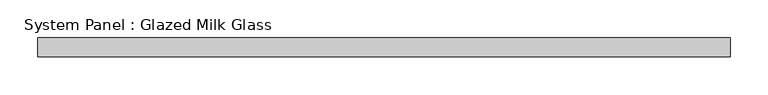
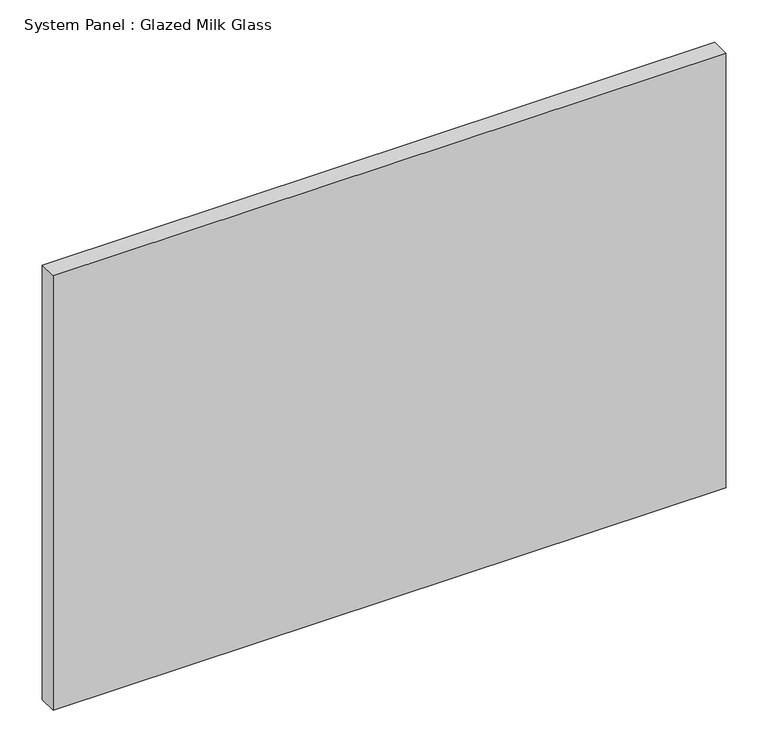
"""IFC4 building model written with IfcOpenShell, lengths in millimetres: plate geometry, System Panel : Glazed Milk Glass."""

from ifc_helpers import new_model, si_unit, origin, origin_with_axes, place, context, project, spatial, polyline, outline, extrude, source, transform, mapped, element, save


def system_panel_glazed_milk_glass_8fc97314(model_context):
    return source(origin(), model_context, "Body", "SweptSolid", [
        extrude(outline(polyline([(457.15, -12.5), (-457.15, -12.5), (-457.15, 12.5), (457.15, 12.5), (457.15, -12.5)])), origin_with_axes(), (0.0, 0.0, 1.0), 625.0),
    ])


if __name__ == "__main__":
    model = new_model("IFC4")
    model_context = context("Model", 3, world=origin())
    ifc_project = project(units=[si_unit("LENGTHUNIT", "METRE", prefix="MILLI")], contexts=[model_context])
    site = spatial("IfcSite", under=ifc_project)
    building = spatial("IfcBuilding", under=site)
    placement = place(None, origin())
    system_panel_glazed_milk_glass_shape = system_panel_glazed_milk_glass_8fc97314(model_context)
    element("IfcPlate", 1, ObjectType="System Panel : Glazed Milk Glass", at=placement, inside=building, context=model_context, shape_type="MappedRepresentation", body=[
        mapped(system_panel_glazed_milk_glass_shape, transform((0.0, 0.0, 0.0), x_axis=(1.0, 0.0, 0.0), y_axis=(0.0, 1.0, 0.0), z_axis=(0.0, 0.0, 1.0))),
    ])
    save(model, "model.ifc")
